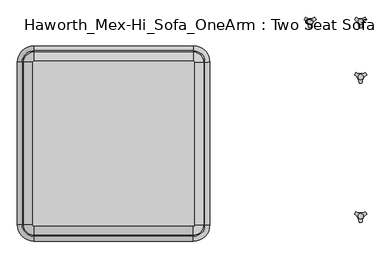
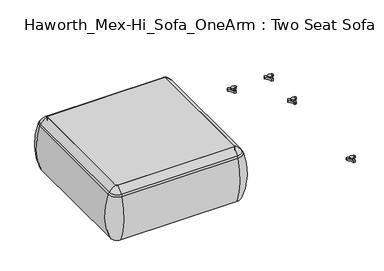
"""IFC4 building model written with IfcOpenShell, lengths in millimetres: furniture geometry, Haworth_Mex-Hi_Sofa_OneArm : Two Seat Sofa."""

from ifc_helpers import new_model, si_unit, point, frame, frame_2d, origin, place, context, project, spatial, polyline, circle_curve, ellipse_curve, trimmed, segment, composite_curve, outline, extrude, source, transform, mapped, element, save
from ifc_brep_helpers import plane_surface, cylinder_surface, revolved_surface, advanced_brep


def haworth_mex_hi_sofa_onearm_two_seat_sofa_56ba0fb8(model_context):
    return source(origin(), model_context, "Body", "SolidModel", [
        advanced_brep(
        [(-794.741528, -680.3856623, 390.3914007), (-789.4617207, -685.6654695, 390.3914007), (-789.4617207, -685.6654695, 123.9999984), (-794.741528, -680.3856623, 123.9999984), (-823.4295722, -680.3856623, 123.9999984), (-789.4617207, -714.3535137, 123.9999984), (-789.4617207, -722.0329787, 353.7769053), (-831.1090372, -680.3856623, 353.7769053), (-794.741528, -92.2092577, 123.9999984), (-794.741528, -92.2092577, 390.3914007), (-831.1090372, -92.2092577, 353.7769053), (-823.4295722, -92.2092577, 123.9999984), (-789.4617207, -86.9294504, 390.3914007), (-789.4617207, -86.9294504, 123.9999984), (-789.4617207, -58.2414063, 123.9999984), (-789.4617207, -50.5619412, 353.7769053), (-212.8817207, -86.9294504, 123.9999984), (-212.8817207, -86.9294504, 390.3914007), (-212.8817207, -50.5619412, 353.7769053), (-212.8817207, -58.2414063, 123.9999984), (-207.6019135, -92.2092577, 390.3914007), (-207.6019135, -92.2092577, 123.9999984), (-178.9138693, -92.2092577, 123.9999984), (-171.2344043, -92.2092577, 353.7769053), (-207.6019135, -680.3856623, 123.9999984), (-207.6019135, -680.3856623, 390.3914007), (-171.2344043, -680.3856623, 353.7769053), (-178.9138693, -680.3856623, 123.9999984), (-212.8817207, -685.6654695, 390.3914007), (-212.8817207, -685.6654695, 123.9999984), (-212.8817207, -714.3535137, 123.9999984), (-212.8817207, -722.0329787, 353.7769053), (-825.8905773, -680.3856623, 363.6402875), (-789.4617207, -716.8145188, 363.6402875), (-825.8905773, -92.2092577, 363.6402875), (-789.4617207, -55.7804011, 363.6402875), (-212.8817207, -55.7804011, 363.6402875), (-176.4528642, -92.2092577, 363.6402875), (-176.4528642, -680.3856623, 363.6402875), (-212.8817207, -716.8145188, 363.6402875)],
        [
            (0, 1, circle_curve(frame((-789.4617207, -680.3856623, 390.3914007), z_axis=(0.0, 0.0, 1.0), x_axis=(0.0, -1.0, 0.0)), 5.2798073)),
            (1, 2),
            (2, 3, circle_curve(frame((-789.4617207, -680.3856623, 123.9999984), z_axis=(0.0, 0.0, -1.0), x_axis=(0.0, -1.0, 0.0)), 5.2798073)),
            (3, 0),
            (4, 5, circle_curve(frame((-789.4617207, -680.3856623, 123.9999984), z_axis=(0.0, 0.0, 1.0), x_axis=(0.0, -1.0, 0.0)), 33.9678514)),
            (5, 6, circle_curve(frame((-789.4617207, -417.9792297, 248.9220234), z_axis=(-1.0, 0.0, 0.0), x_axis=(0.0, -1.0, 0.0)), 321.625914)),
            (6, 7, circle_curve(frame((-789.4617207, -680.3856623, 353.7769053), z_axis=(0.0, 0.0, -1.0), x_axis=(0.0, -1.0, 0.0)), 41.6473165)),
            (7, 4, circle_curve(frame((-527.0552882, -680.3856623, 248.9220234), z_axis=(0.0, -1.0, 0.0), x_axis=(-1.0, 0.0, 0.0)), 321.625914)),
            (3, 8),
            (8, 9),
            (9, 0),
            (7, 10),
            (10, 11, circle_curve(frame((-527.0552882, -92.2092577, 248.9220234), z_axis=(0.0, -1.0, 0.0), x_axis=(-1.0, 0.0, 0.0)), 321.625914)),
            (11, 4),
            (12, 9, circle_curve(frame((-789.4617207, -92.2092577, 390.3914007), z_axis=(0.0, 0.0, 1.0), x_axis=(-1.0, 0.0, 0.0)), 5.2798073)),
            (8, 13, circle_curve(frame((-789.4617207, -92.2092577, 123.9999984), z_axis=(0.0, 0.0, -1.0), x_axis=(-1.0, 0.0, 0.0)), 5.2798073)),
            (13, 12),
            (14, 11, circle_curve(frame((-789.4617207, -92.2092577, 123.9999984), z_axis=(0.0, 0.0, 1.0), x_axis=(-1.0, 0.0, 0.0)), 33.9678514)),
            (10, 15, circle_curve(frame((-789.4617207, -92.2092577, 353.7769053), z_axis=(0.0, 0.0, -1.0), x_axis=(-1.0, 0.0, 0.0)), 41.6473165)),
            (15, 14, circle_curve(frame((-789.4617207, -354.6156902, 248.9220234), z_axis=(-1.0, 0.0, 0.0), x_axis=(0.0, 1.0, 0.0)), 321.625914)),
            (13, 16),
            (16, 17),
            (17, 12),
            (15, 18),
            (18, 19, circle_curve(frame((-212.8817207, -354.6156902, 248.9220234), z_axis=(-1.0, 0.0, 0.0), x_axis=(0.0, 1.0, 0.0)), 321.625914)),
            (19, 14),
            (20, 17, circle_curve(frame((-212.8817207, -92.2092577, 390.3914007), z_axis=(0.0, 0.0, 1.0), x_axis=(0.0, 1.0, 0.0)), 5.2798073)),
            (16, 21, circle_curve(frame((-212.8817207, -92.2092577, 123.9999984), z_axis=(0.0, 0.0, -1.0), x_axis=(0.0, 1.0, 0.0)), 5.2798073)),
            (21, 20),
            (22, 19, circle_curve(frame((-212.8817207, -92.2092577, 123.9999984), z_axis=(0.0, 0.0, 1.0), x_axis=(0.0, 1.0, 0.0)), 33.9678514)),
            (18, 23, circle_curve(frame((-212.8817207, -92.2092577, 353.7769053), z_axis=(0.0, 0.0, -1.0), x_axis=(0.0, 1.0, 0.0)), 41.6473165)),
            (23, 22, circle_curve(frame((-475.2881533, -92.2092577, 248.9220234), z_axis=(0.0, 1.0, 0.0), x_axis=(1.0, 0.0, 0.0)), 321.625914)),
            (21, 24),
            (24, 25),
            (25, 20),
            (23, 26),
            (26, 27, circle_curve(frame((-475.2881533, -680.3856623, 248.9220234), z_axis=(0.0, 1.0, 0.0), x_axis=(1.0, 0.0, 0.0)), 321.625914)),
            (27, 22),
            (28, 25, circle_curve(frame((-212.8817207, -680.3856623, 390.3914007), z_axis=(0.0, 0.0, 1.0), x_axis=(1.0, 0.0, 0.0)), 5.2798073)),
            (24, 29, circle_curve(frame((-212.8817207, -680.3856623, 123.9999984), z_axis=(0.0, 0.0, -1.0), x_axis=(1.0, 0.0, 0.0)), 5.2798073)),
            (29, 28),
            (30, 27, circle_curve(frame((-212.8817207, -680.3856623, 123.9999984), z_axis=(0.0, 0.0, 1.0), x_axis=(1.0, 0.0, 0.0)), 33.9678514)),
            (26, 31, circle_curve(frame((-212.8817207, -680.3856623, 353.7769053), z_axis=(0.0, 0.0, -1.0), x_axis=(1.0, 0.0, 0.0)), 41.6473165)),
            (31, 30, circle_curve(frame((-212.8817207, -417.9792297, 248.9220234), z_axis=(1.0, 0.0, 0.0), x_axis=(0.0, -1.0, 0.0)), 321.625914)),
            (30, 5),
            (2, 29),
            (1, 28),
            (31, 6),
            (32, 33, circle_curve(frame((-789.4617207, -680.3856623, 363.6402875), z_axis=(0.0, 0.0, 1.0), x_axis=(0.0, -1.0, 0.0)), 36.4288566)),
            (33, 1, circle_curve(frame((-789.4617207, -641.43285, 307.3762868), z_axis=(-1.0, 0.0, 0.0), x_axis=(0.0, -1.0, 0.0)), 94.0639876)),
            (0, 32, circle_curve(frame((-750.5089085, -680.3856623, 307.3762868), z_axis=(0.0, -1.0, 0.0), x_axis=(-1.0, 0.0, 0.0)), 94.0639876)),
            (6, 33, circle_curve(frame((-789.4617207, -687.7682596, 341.9604975), z_axis=(-1.0, 0.0, 0.0), x_axis=(0.0, -1.0, 0.0)), 36.2449785)),
            (32, 7, circle_curve(frame((-796.8443181, -680.3856623, 341.9604975), z_axis=(0.0, -1.0, 0.0), x_axis=(-1.0, 0.0, 0.0)), 36.2449785)),
            (9, 34, circle_curve(frame((-750.5089085, -92.2092577, 307.3762868), z_axis=(0.0, -1.0, 0.0), x_axis=(-1.0, 0.0, 0.0)), 94.0639876)),
            (34, 32),
            (34, 10, circle_curve(frame((-796.8443181, -92.2092577, 341.9604975), z_axis=(0.0, -1.0, 0.0), x_axis=(-1.0, 0.0, 0.0)), 36.2449785)),
            (35, 34, circle_curve(frame((-789.4617207, -92.2092577, 363.6402875), z_axis=(0.0, 0.0, 1.0), x_axis=(-1.0, 0.0, 0.0)), 36.4288566)),
            (12, 35, circle_curve(frame((-789.4617207, -131.1620699, 307.3762868), z_axis=(-1.0, 0.0, 0.0), x_axis=(0.0, 1.0, 0.0)), 94.0639876)),
            (35, 15, circle_curve(frame((-789.4617207, -84.8266603, 341.9604975), z_axis=(-1.0, 0.0, 0.0), x_axis=(0.0, 1.0, 0.0)), 36.2449785)),
            (17, 36, circle_curve(frame((-212.8817207, -131.1620699, 307.3762868), z_axis=(-1.0, 0.0, 0.0), x_axis=(0.0, 1.0, 0.0)), 94.0639876)),
            (36, 35),
            (36, 18, circle_curve(frame((-212.8817207, -84.8266603, 341.9604975), z_axis=(-1.0, 0.0, 0.0), x_axis=(0.0, 1.0, 0.0)), 36.2449785)),
            (37, 36, circle_curve(frame((-212.8817207, -92.2092577, 363.6402875), z_axis=(0.0, 0.0, 1.0), x_axis=(0.0, 1.0, 0.0)), 36.4288566)),
            (20, 37, circle_curve(frame((-251.8345329, -92.2092577, 307.3762868), z_axis=(0.0, 1.0, 0.0), x_axis=(1.0, 0.0, 0.0)), 94.0639876)),
            (37, 23, circle_curve(frame((-205.4991233, -92.2092577, 341.9604975), z_axis=(0.0, 1.0, 0.0), x_axis=(1.0, 0.0, 0.0)), 36.2449785)),
            (25, 38, circle_curve(frame((-251.8345329, -680.3856623, 307.3762868), z_axis=(0.0, 1.0, 0.0), x_axis=(1.0, 0.0, 0.0)), 94.0639876)),
            (38, 37),
            (38, 26, circle_curve(frame((-205.4991233, -680.3856623, 341.9604975), z_axis=(0.0, 1.0, 0.0), x_axis=(1.0, 0.0, 0.0)), 36.2449785)),
            (39, 38, circle_curve(frame((-212.8817207, -680.3856623, 363.6402875), z_axis=(0.0, 0.0, 1.0), x_axis=(1.0, 0.0, 0.0)), 36.4288566)),
            (28, 39, circle_curve(frame((-212.8817207, -641.43285, 307.3762868), z_axis=(1.0, 0.0, 0.0), x_axis=(0.0, -1.0, 0.0)), 94.0639876)),
            (39, 31, circle_curve(frame((-212.8817207, -687.7682596, 341.9604975), z_axis=(1.0, 0.0, 0.0), x_axis=(0.0, -1.0, 0.0)), 36.2449785)),
            (33, 39),
        ],
        [
            revolved_surface(polyline([(-789.4617207, -685.6654696, 123.9999984), (-789.4617207, -685.6654696, 390.3914007)]), (-789.4617207, -680.3856623, 0.0), (0.0, 0.0, -1.0)),
            revolved_surface(trimmed(ellipse_curve(frame((-789.4617207, -417.9792297, 248.9220234), z_axis=(1.0, 0.0, 0.0), x_axis=(0.0, -1.0, 0.0)), 321.625914, 321.625914), [point((-789.4617207, -722.0329787, 353.7769053))], [point((-789.4617207, -714.3535137, 123.9999984))], True, "CARTESIAN"), (-789.4617207, -680.3856623, 0.0), (0.0, 0.0, -1.0)),
            plane_surface(frame((-794.741528, -680.3856623, 123.9999984), z_axis=(1.0, 0.0, 0.0), x_axis=(0.0, 1.0, 0.0))),
            cylinder_surface(frame((-527.0552882, -680.3856623, 248.9220234), z_axis=(0.0, -1.0, 0.0), x_axis=(-1.0, 0.0, 0.0)), 321.625914),
            revolved_surface(polyline([(-794.741528, -92.2092577, 123.9999984), (-794.741528, -92.2092577, 390.3914007)]), (-789.4617207, -92.2092577, 0.0), (0.0, 0.0, -1.0)),
            revolved_surface(trimmed(ellipse_curve(frame((-527.0552882, -92.2092577, 248.9220234), z_axis=(0.0, -1.0, 0.0), x_axis=(-1.0, 0.0, 0.0)), 321.625914, 321.625914), [point((-831.1090372, -92.2092577, 353.7769053))], [point((-823.4295722, -92.2092577, 123.9999984))], True, "CARTESIAN"), (-789.4617207, -92.2092577, 0.0), (0.0, 0.0, -1.0)),
            plane_surface(frame((-789.4617207, -86.9294504, 123.9999984), z_axis=(0.0, -1.0, 0.0), x_axis=(1.0, 0.0, 0.0))),
            cylinder_surface(frame((-789.4617207, -354.6156902, 248.9220234), z_axis=(-1.0, 0.0, 0.0), x_axis=(0.0, 1.0, 0.0)), 321.625914),
            revolved_surface(polyline([(-212.8817207, -86.9294504, 123.9999984), (-212.8817207, -86.9294504, 390.3914007)]), (-212.8817207, -92.2092577, 0.0), (0.0, 0.0, -1.0)),
            revolved_surface(trimmed(ellipse_curve(frame((-212.8817207, -354.6156902, 248.9220234), z_axis=(-1.0, 0.0, 0.0), x_axis=(0.0, 1.0, 0.0)), 321.625914, 321.625914), [point((-212.8817207, -50.5619412, 353.7769053))], [point((-212.8817207, -58.2414063, 123.9999984))], True, "CARTESIAN"), (-212.8817207, -92.2092577, 0.0), (0.0, 0.0, -1.0)),
            plane_surface(frame((-207.6019135, -92.2092577, 123.9999984), z_axis=(-1.0, 0.0, 0.0), x_axis=(0.0, -1.0, 0.0))),
            cylinder_surface(frame((-475.2881533, -92.2092577, 248.9220234), z_axis=(0.0, 1.0, 0.0), x_axis=(1.0, 0.0, 0.0)), 321.625914),
            revolved_surface(polyline([(-207.6019134, -680.3856623, 123.9999984), (-207.6019134, -680.3856623, 390.3914007)]), (-212.8817207, -680.3856623, 0.0), (0.0, 0.0, -1.0)),
            revolved_surface(trimmed(ellipse_curve(frame((-475.2881533, -680.3856623, 248.9220234), z_axis=(0.0, 1.0, 0.0), x_axis=(1.0, 0.0, 0.0)), 321.625914, 321.625914), [point((-171.2344043, -680.3856623, 353.7769053))], [point((-178.9138693, -680.3856623, 123.9999984))], True, "CARTESIAN"), (-212.8817207, -680.3856623, 0.0), (0.0, 0.0, -1.0)),
            plane_surface(frame((-212.8817207, -714.3535137, 123.9999984), z_axis=(0.0, 0.0, -1.0), x_axis=(-1.0, 0.0, 0.0))),
            plane_surface(frame((-212.8817207, -685.6654695, 123.9999984), z_axis=(0.0, 1.0, 0.0), x_axis=(-1.0, 0.0, 0.0))),
            cylinder_surface(frame((-212.8817207, -417.9792297, 248.9220234), z_axis=(1.0, 0.0, 0.0), x_axis=(0.0, -1.0, 0.0)), 321.625914),
            revolved_surface(trimmed(ellipse_curve(frame((-789.4617207, -641.43285, 307.3762868), z_axis=(1.0, 0.0, 0.0), x_axis=(0.0, -1.0, 0.0)), 94.0639876, 94.0639876), [point((-789.4617207, -685.6654695, 390.3914007))], [point((-789.4617207, -716.8145188, 363.6402875))], True, "CARTESIAN"), (-789.4617207, -680.3856623, 0.0), (0.0, 0.0, -1.0)),
            revolved_surface(trimmed(ellipse_curve(frame((-789.4617207, -687.7682596, 341.9604975), z_axis=(1.0, 0.0, 0.0), x_axis=(0.0, -1.0, 0.0)), 36.2449785, 36.2449785), [point((-789.4617207, -716.8145188, 363.6402875))], [point((-789.4617207, -722.0329787, 353.7769053))], True, "CARTESIAN"), (-789.4617207, -680.3856623, 0.0), (0.0, 0.0, -1.0)),
            cylinder_surface(frame((-750.5089085, -680.3856623, 307.3762868), z_axis=(0.0, -1.0, 0.0), x_axis=(-1.0, 0.0, 0.0)), 94.0639876),
            cylinder_surface(frame((-796.8443181, -680.3856623, 341.9604975), z_axis=(0.0, -1.0, 0.0), x_axis=(-1.0, 0.0, 0.0)), 36.2449785),
            revolved_surface(trimmed(ellipse_curve(frame((-750.5089085, -92.2092577, 307.3762868), z_axis=(0.0, -1.0, 0.0), x_axis=(-1.0, 0.0, 0.0)), 94.0639876, 94.0639876), [point((-794.741528, -92.2092577, 390.3914007))], [point((-825.8905773, -92.2092577, 363.6402875))], True, "CARTESIAN"), (-789.4617207, -92.2092577, 0.0), (0.0, 0.0, -1.0)),
            revolved_surface(trimmed(ellipse_curve(frame((-796.8443181, -92.2092577, 341.9604975), z_axis=(0.0, -1.0, 0.0), x_axis=(-1.0, 0.0, 0.0)), 36.2449785, 36.2449785), [point((-825.8905773, -92.2092577, 363.6402875))], [point((-831.1090372, -92.2092577, 353.7769053))], True, "CARTESIAN"), (-789.4617207, -92.2092577, 0.0), (0.0, 0.0, -1.0)),
            cylinder_surface(frame((-789.4617207, -131.1620699, 307.3762868), z_axis=(-1.0, 0.0, 0.0), x_axis=(0.0, 1.0, 0.0)), 94.0639876),
            cylinder_surface(frame((-789.4617207, -84.8266603, 341.9604975), z_axis=(-1.0, 0.0, 0.0), x_axis=(0.0, 1.0, 0.0)), 36.2449785),
            revolved_surface(trimmed(ellipse_curve(frame((-212.8817207, -131.1620699, 307.3762868), z_axis=(-1.0, 0.0, 0.0), x_axis=(0.0, 1.0, 0.0)), 94.0639876, 94.0639876), [point((-212.8817207, -86.9294504, 390.3914007))], [point((-212.8817207, -55.7804011, 363.6402875))], True, "CARTESIAN"), (-212.8817207, -92.2092577, 0.0), (0.0, 0.0, -1.0)),
            revolved_surface(trimmed(ellipse_curve(frame((-212.8817207, -84.8266603, 341.9604975), z_axis=(-1.0, 0.0, 0.0), x_axis=(0.0, 1.0, 0.0)), 36.2449785, 36.2449785), [point((-212.8817207, -55.7804011, 363.6402875))], [point((-212.8817207, -50.5619412, 353.7769053))], True, "CARTESIAN"), (-212.8817207, -92.2092577, 0.0), (0.0, 0.0, -1.0)),
            cylinder_surface(frame((-251.8345329, -92.2092577, 307.3762868), z_axis=(0.0, 1.0, 0.0), x_axis=(1.0, 0.0, 0.0)), 94.0639876),
            cylinder_surface(frame((-205.4991233, -92.2092577, 341.9604975), z_axis=(0.0, 1.0, 0.0), x_axis=(1.0, 0.0, 0.0)), 36.2449785),
            revolved_surface(trimmed(ellipse_curve(frame((-251.8345329, -680.3856623, 307.3762868), z_axis=(0.0, 1.0, 0.0), x_axis=(1.0, 0.0, 0.0)), 94.0639876, 94.0639876), [point((-207.6019135, -680.3856623, 390.3914007))], [point((-176.4528642, -680.3856623, 363.6402875))], True, "CARTESIAN"), (-212.8817207, -680.3856623, 0.0), (0.0, 0.0, -1.0)),
            revolved_surface(trimmed(ellipse_curve(frame((-205.4991233, -680.3856623, 341.9604975), z_axis=(0.0, 1.0, 0.0), x_axis=(1.0, 0.0, 0.0)), 36.2449785, 36.2449785), [point((-176.4528642, -680.3856623, 363.6402875))], [point((-171.2344043, -680.3856623, 353.7769053))], True, "CARTESIAN"), (-212.8817207, -680.3856623, 0.0), (0.0, 0.0, -1.0)),
            cylinder_surface(frame((-212.8817207, -641.43285, 307.3762868), z_axis=(1.0, 0.0, 0.0), x_axis=(0.0, -1.0, 0.0)), 94.0639876),
            cylinder_surface(frame((-212.8817207, -687.7682596, 341.9604975), z_axis=(1.0, 0.0, 0.0), x_axis=(0.0, -1.0, 0.0)), 36.2449785),
        ],
        [
            (0, [[1, 2, 3, 4]]),
            (1, [[5, 6, 7, 8]]),
            (2, [[-4, 9, 10, 11]]),
            (3, [[-8, 12, 13, 14]]),
            (4, [[15, -10, 16, 17]]),
            (5, [[18, -13, 19, 20]]),
            (6, [[-17, 21, 22, 23]]),
            (7, [[-20, 24, 25, 26]]),
            (8, [[27, -22, 28, 29]]),
            (9, [[30, -25, 31, 32]]),
            (10, [[-29, 33, 34, 35]]),
            (11, [[-32, 36, 37, 38]]),
            (12, [[39, -34, 40, 41]]),
            (13, [[42, -37, 43, 44]]),
            (14, [[-38, -42, 45, -5, -14, -18, -26, -30], [46, -40, -33, -28, -21, -16, -9, -3]]),
            (15, [[-41, -46, -2, 47]]),
            (16, [[-44, 48, -6, -45]]),
            (17, [[49, 50, -1, 51]]),
            (18, [[-7, 52, -49, 53]]),
            (19, [[-51, -11, 54, 55]]),
            (20, [[-53, -55, 56, -12]]),
            (21, [[57, -54, -15, 58]]),
            (22, [[-19, -56, -57, 59]]),
            (23, [[-58, -23, 60, 61]]),
            (24, [[-59, -61, 62, -24]]),
            (25, [[63, -60, -27, 64]]),
            (26, [[-31, -62, -63, 65]]),
            (27, [[-64, -35, 66, 67]]),
            (28, [[-65, -67, 68, -36]]),
            (29, [[69, -66, -39, 70]]),
            (30, [[-43, -68, -69, 71]]),
            (31, [[-70, -47, -50, 72]]),
            (32, [[-71, -72, -52, -48]]),
        ],
    ),
        extrude(outline(composite_curve([segment(trimmed(circle_curve(frame_2d((-789.4617207, -680.3856623)), 5.2798073), [point((-789.4617207, -685.6654695))], [point((-794.741528, -680.3856623))], False, "CARTESIAN"), True, "CONTINUOUS"), segment(polyline([(-794.741528, -680.3856623), (-794.741528, -92.2092577)]), True, "CONTINUOUS"), segment(trimmed(circle_curve(frame_2d((-789.4617207, -92.2092577)), 5.2798073), [point((-794.741528, -92.2092577))], [point((-789.4617207, -86.9294504))], False, "CARTESIAN"), True, "CONTINUOUS"), segment(polyline([(-789.4617207, -86.9294504), (-212.8817207, -86.9294504)]), True, "CONTINUOUS"), segment(trimmed(circle_curve(frame_2d((-212.8817207, -92.2092577)), 5.2798073), [point((-212.8817207, -86.9294504))], [point((-207.6019135, -92.2092577))], False, "CARTESIAN"), True, "CONTINUOUS"), segment(polyline([(-207.6019135, -92.2092577), (-207.6019135, -680.3856623)]), True, "CONTINUOUS"), segment(trimmed(circle_curve(frame_2d((-212.8817207, -680.3856623)), 5.2798073), [point((-207.6019135, -680.3856623))], [point((-212.8817207, -685.6654695))], False, "CARTESIAN"), True, "CONTINUOUS"), segment(polyline([(-212.8817207, -685.6654695), (-789.4617207, -685.6654695)]), True, "CONTINUOUS")], self_intersect=False)), frame((0.0, 0.0, 123.9999984), z_axis=(0.0, 0.0, 1.0), x_axis=(1.0, 0.0, 0.0)), (0.0, 0.0, 1.0), 266.3914023),
        advanced_brep(
        [(373.838792, -633.9963447, 98.611642), (369.6162038, -641.3100819, 98.611642), (370.0141527, -642.4761133, 98.611642), (385.8334234, -669.8758983, 98.611642), (386.6442569, -670.8035397, 98.611642), (395.0894355, -670.8035397, 98.611642), (395.8939637, -669.7137583, 98.611642), (411.9962168, -642.2119553, 98.611642), (412.1174938, -641.3100836, 98.611642), (407.8949039, -633.9963432, 98.611642), (406.6861204, -633.7579584, 98.611642), (375.047572, -633.7579584, 98.611642), (400.2397227, -648.9168654, 98.611642), (381.3347108, -648.9168654, 98.611642), (373.838792, -633.9963447, 88.6531552), (375.047572, -633.7579584, 88.6531552), (406.6861204, -633.7579584, 88.6531552), (407.8949039, -633.9963432, 88.6531552), (412.1174938, -641.3100836, 88.6531552), (411.9962168, -642.2119553, 88.6531552), (395.8939637, -669.7137583, 88.6531552), (395.0894355, -670.8035397, 88.6531552), (386.6442569, -670.8035397, 88.6531552), (385.8334234, -669.8758983, 88.6531552), (370.0141527, -642.4761133, 88.6531552), (369.6162038, -641.3100819, 88.6531552), (381.3347108, -648.9168654, 103.6569541), (400.2397227, -648.9168654, 103.6569541)],
        [
            (0, 1, circle_curve(frame((392.09828, -649.4142898, 98.611642), z_axis=(0.0, 0.0, 1.0), x_axis=(1.0, 0.0, 0.0)), 23.8981576)),
            (1, 2, circle_curve(frame((370.5437624, -641.6444428, 98.611642), z_axis=(0.0, 0.0, 1.0), x_axis=(1.0, 0.0, 0.0)), 0.9859828)),
            (2, 3, circle_curve(frame((351.6187827, -671.3632053, 98.611642), z_axis=(0.0, 0.0, -1.0), x_axis=(1.0, 0.0, 0.0)), 34.246952)),
            (3, 4, circle_curve(frame((386.8184668, -669.8330785, 98.611642), z_axis=(0.0, 0.0, 1.0), x_axis=(1.0, 0.0, 0.0)), 0.9859736)),
            (4, 5, circle_curve(frame((390.8668462, -647.2809943, 98.611642), z_axis=(0.0, 0.0, 1.0), x_axis=(1.0, 0.0, 0.0)), 23.8985439)),
            (5, 6, circle_curve(frame((394.9152236, -669.8330671, 98.611642), z_axis=(0.0, 0.0, 1.0), x_axis=(1.0, 0.0, 0.0)), 0.9859852)),
            (6, 7, circle_curve(frame((430.1156373, -671.285662, 98.611642), z_axis=(0.0, 0.0, -1.0), x_axis=(1.0, 0.0, 0.0)), 34.2577557)),
            (7, 8, circle_curve(frame((411.1899324, -641.644442, 98.611642), z_axis=(0.0, 0.0, 1.0), x_axis=(1.0, 0.0, 0.0)), 0.9859847)),
            (8, 9, circle_curve(frame((389.6358034, -649.4140667, 98.611642), z_axis=(0.0, 0.0, 1.0), x_axis=(1.0, 0.0, 0.0)), 23.8977184)),
            (9, 10, circle_curve(frame((407.1415576, -634.632458, 98.611642), z_axis=(0.0, 0.0, 1.0), x_axis=(1.0, 0.0, 0.0)), 0.9859881)),
            (10, 11, circle_curve(frame((390.8668462, -603.3828618, 98.611642), z_axis=(0.0, 0.0, -1.0), x_axis=(1.0, 0.0, 0.0)), 34.2475683)),
            (11, 0, circle_curve(frame((374.5921369, -634.632454, 98.611642), z_axis=(0.0, 0.0, 1.0), x_axis=(1.0, 0.0, 0.0)), 0.9859835)),
            (12, 13, circle_curve(frame((390.7872168, -648.9168654, 98.611642), z_axis=(0.0, 0.0, -1.0), x_axis=(1.0, 0.0, 0.0)), 9.452506)),
            (13, 12, circle_curve(frame((390.7872168, -648.9168654, 98.611642), z_axis=(0.0, 0.0, -1.0), x_axis=(1.0, 0.0, 0.0)), 9.452506)),
            (14, 15, circle_curve(frame((374.5921369, -634.632454, 88.6531552), z_axis=(0.0, 0.0, -1.0), x_axis=(1.0, 0.0, 0.0)), 0.9859835)),
            (15, 16, circle_curve(frame((390.8668462, -603.3828618, 88.6531552), z_axis=(0.0, 0.0, 1.0), x_axis=(1.0, 0.0, 0.0)), 34.2475683)),
            (16, 17, circle_curve(frame((407.1415576, -634.632458, 88.6531552), z_axis=(0.0, 0.0, -1.0), x_axis=(1.0, 0.0, 0.0)), 0.9859881)),
            (17, 18, circle_curve(frame((389.6358034, -649.4140667, 88.6531552), z_axis=(0.0, 0.0, -1.0), x_axis=(1.0, 0.0, 0.0)), 23.8977184)),
            (18, 19, circle_curve(frame((411.1899324, -641.644442, 88.6531552), z_axis=(0.0, 0.0, -1.0), x_axis=(1.0, 0.0, 0.0)), 0.9859847)),
            (19, 20, circle_curve(frame((430.1156373, -671.285662, 88.6531552), z_axis=(0.0, 0.0, 1.0), x_axis=(1.0, 0.0, 0.0)), 34.2577557)),
            (20, 21, circle_curve(frame((394.9152236, -669.8330671, 88.6531552), z_axis=(0.0, 0.0, -1.0), x_axis=(1.0, 0.0, 0.0)), 0.9859852)),
            (21, 22, circle_curve(frame((390.8668462, -647.2809943, 88.6531552), z_axis=(0.0, 0.0, -1.0), x_axis=(1.0, 0.0, 0.0)), 23.8985439)),
            (22, 23, circle_curve(frame((386.8184668, -669.8330785, 88.6531552), z_axis=(0.0, 0.0, -1.0), x_axis=(1.0, 0.0, 0.0)), 0.9859736)),
            (23, 24, circle_curve(frame((351.6187827, -671.3632053, 88.6531552), z_axis=(0.0, 0.0, 1.0), x_axis=(1.0, 0.0, 0.0)), 34.246952)),
            (24, 25, circle_curve(frame((370.5437624, -641.6444428, 88.6531552), z_axis=(0.0, 0.0, -1.0), x_axis=(1.0, 0.0, 0.0)), 0.9859828)),
            (25, 14, circle_curve(frame((392.09828, -649.4142898, 88.6531552), z_axis=(0.0, 0.0, -1.0), x_axis=(1.0, 0.0, 0.0)), 23.8981576)),
            (26, 27, circle_curve(frame((390.7872168, -648.9168654, 103.6569541), z_axis=(0.0, 0.0, 1.0), x_axis=(1.0, 0.0, 0.0)), 9.452506)),
            (27, 26, circle_curve(frame((390.7872168, -648.9168654, 103.6569541), z_axis=(0.0, 0.0, 1.0), x_axis=(1.0, 0.0, 0.0)), 9.452506)),
            (0, 14),
            (25, 1),
            (24, 2),
            (23, 3),
            (22, 4),
            (21, 5),
            (20, 6),
            (19, 7),
            (18, 8),
            (17, 9),
            (16, 10),
            (15, 11),
            (26, 13),
            (12, 27),
        ],
        [
            plane_surface(frame((415.9964377, -649.4142898, 98.611642), z_axis=(0.0, 0.0, 1.0), x_axis=(0.0, 1.0, 0.0))),
            plane_surface(frame((415.9964377, -649.4142898, 88.6531552), z_axis=(0.0, 0.0, -1.0), x_axis=(0.0, -1.0, 0.0))),
            plane_surface(frame((400.2397227, -648.9168654, 103.6569541), z_axis=(0.0, 0.0, 1.0), x_axis=(0.0, 1.0, 0.0))),
            cylinder_surface(frame((392.09828, -649.4142898, 88.6531552), z_axis=(0.0, 0.0, 1.0), x_axis=(1.0, 0.0, 0.0)), 23.8981576),
            cylinder_surface(frame((370.5437624, -641.6444428, 88.6531552), z_axis=(0.0, 0.0, 1.0), x_axis=(1.0, 0.0, 0.0)), 0.9859828),
            revolved_surface(polyline([(385.8657347, -671.3632053, 88.6531552), (385.8657347, -671.3632053, 98.611642)]), (351.6187827, -671.3632053, 88.6531552), (0.0, 0.0, -1.0)),
            cylinder_surface(frame((386.8184668, -669.8330785, 88.6531552), z_axis=(0.0, 0.0, 1.0), x_axis=(1.0, 0.0, 0.0)), 0.9859736),
            cylinder_surface(frame((390.8668462, -647.2809943, 88.6531552), z_axis=(0.0, 0.0, 1.0), x_axis=(1.0, 0.0, 0.0)), 23.8985439),
            cylinder_surface(frame((394.9152236, -669.8330671, 88.6531552), z_axis=(0.0, 0.0, 1.0), x_axis=(1.0, 0.0, 0.0)), 0.9859852),
            revolved_surface(polyline([(464.373393, -671.285662, 88.6531552), (464.373393, -671.285662, 98.611642)]), (430.1156373, -671.285662, 88.6531552), (0.0, 0.0, -1.0)),
            cylinder_surface(frame((411.1899324, -641.644442, 88.6531552), z_axis=(0.0, 0.0, 1.0), x_axis=(1.0, 0.0, 0.0)), 0.9859847),
            cylinder_surface(frame((389.6358034, -649.4140667, 88.6531552), z_axis=(0.0, 0.0, 1.0), x_axis=(1.0, 0.0, 0.0)), 23.8977184),
            cylinder_surface(frame((407.1415576, -634.632458, 88.6531552), z_axis=(0.0, 0.0, 1.0), x_axis=(1.0, 0.0, 0.0)), 0.9859881),
            revolved_surface(polyline([(425.1144145, -603.3828618, 88.6531552), (425.1144145, -603.3828618, 98.611642)]), (390.8668462, -603.3828618, 88.6531552), (0.0, 0.0, -1.0)),
            cylinder_surface(frame((374.5921369, -634.632454, 88.6531552), z_axis=(0.0, 0.0, 1.0), x_axis=(1.0, 0.0, 0.0)), 0.9859835),
            cylinder_surface(frame((390.7872168, -648.9168654, 98.611642), z_axis=(0.0, 0.0, 1.0), x_axis=(1.0, 0.0, 0.0)), 9.452506),
        ],
        [
            (0, [[1, 2, 3, 4, 5, 6, 7, 8, 9, 10, 11, 12], [13, 14]]),
            (1, [[15, 16, 17, 18, 19, 20, 21, 22, 23, 24, 25, 26]]),
            (2, [[27, 28]]),
            (3, [[-1, 29, -26, 30]]),
            (4, [[-2, -30, -25, 31]]),
            (5, [[-3, -31, -24, 32]]),
            (6, [[-4, -32, -23, 33]]),
            (7, [[-5, -33, -22, 34]]),
            (8, [[-6, -34, -21, 35]]),
            (9, [[-7, -35, -20, 36]]),
            (10, [[-8, -36, -19, 37]]),
            (11, [[-9, -37, -18, 38]]),
            (12, [[-10, -38, -17, 39]]),
            (13, [[-11, -39, -16, 40]]),
            (14, [[-12, -40, -15, -29]]),
            (15, [[-27, 41, -13, 42]]),
            (15, [[-28, -42, -14, -41]]),
        ],
    ),
        advanced_brep(
        [(373.838792, -130.2721038, 98.611642), (369.6162038, -137.585841, 98.611642), (370.0141527, -138.7518724, 98.611642), (385.8334234, -166.1516574, 98.611642), (386.6442569, -167.0792988, 98.611642), (395.0894355, -167.0792988, 98.611642), (395.8939637, -165.9895174, 98.611642), (411.9962168, -138.4877144, 98.611642), (412.1174938, -137.5858427, 98.611642), (407.8949039, -130.2721023, 98.611642), (406.6861204, -130.0337175, 98.611642), (375.047572, -130.0337175, 98.611642), (400.2397227, -145.1926245, 98.611642), (381.3347108, -145.1926245, 98.611642), (373.838792, -130.2721038, 88.6531552), (375.047572, -130.0337175, 88.6531552), (406.6861204, -130.0337175, 88.6531552), (407.8949039, -130.2721023, 88.6531552), (412.1174938, -137.5858427, 88.6531552), (411.9962168, -138.4877144, 88.6531552), (395.8939637, -165.9895174, 88.6531552), (395.0894355, -167.0792988, 88.6531552), (386.6442569, -167.0792988, 88.6531552), (385.8334234, -166.1516574, 88.6531552), (370.0141527, -138.7518724, 88.6531552), (369.6162038, -137.585841, 88.6531552), (381.3347108, -145.1926245, 103.6569541), (400.2397227, -145.1926245, 103.6569541)],
        [
            (0, 1, circle_curve(frame((392.09828, -145.690049, 98.611642), z_axis=(0.0, 0.0, 1.0), x_axis=(1.0, 0.0, 0.0)), 23.8981576)),
            (1, 2, circle_curve(frame((370.5437624, -137.920202, 98.611642), z_axis=(0.0, 0.0, 1.0), x_axis=(1.0, 0.0, 0.0)), 0.9859828)),
            (2, 3, circle_curve(frame((351.6187827, -167.6389644, 98.611642), z_axis=(0.0, 0.0, -1.0), x_axis=(1.0, 0.0, 0.0)), 34.246952)),
            (3, 4, circle_curve(frame((386.8184668, -166.1088376, 98.611642), z_axis=(0.0, 0.0, 1.0), x_axis=(1.0, 0.0, 0.0)), 0.9859736)),
            (4, 5, circle_curve(frame((390.8668462, -143.5567534, 98.611642), z_axis=(0.0, 0.0, 1.0), x_axis=(1.0, 0.0, 0.0)), 23.8985439)),
            (5, 6, circle_curve(frame((394.9152236, -166.1088262, 98.611642), z_axis=(0.0, 0.0, 1.0), x_axis=(1.0, 0.0, 0.0)), 0.9859852)),
            (6, 7, circle_curve(frame((430.1156373, -167.5614211, 98.611642), z_axis=(0.0, 0.0, -1.0), x_axis=(1.0, 0.0, 0.0)), 34.2577557)),
            (7, 8, circle_curve(frame((411.1899324, -137.9202011, 98.611642), z_axis=(0.0, 0.0, 1.0), x_axis=(1.0, 0.0, 0.0)), 0.9859847)),
            (8, 9, circle_curve(frame((389.6358034, -145.6898258, 98.611642), z_axis=(0.0, 0.0, 1.0), x_axis=(1.0, 0.0, 0.0)), 23.8977184)),
            (9, 10, circle_curve(frame((407.1415576, -130.9082171, 98.611642), z_axis=(0.0, 0.0, 1.0), x_axis=(1.0, 0.0, 0.0)), 0.9859881)),
            (10, 11, circle_curve(frame((390.8668462, -99.6586209, 98.611642), z_axis=(0.0, 0.0, -1.0), x_axis=(1.0, 0.0, 0.0)), 34.2475683)),
            (11, 0, circle_curve(frame((374.5921369, -130.9082131, 98.611642), z_axis=(0.0, 0.0, 1.0), x_axis=(1.0, 0.0, 0.0)), 0.9859835)),
            (12, 13, circle_curve(frame((390.7872168, -145.1926245, 98.611642), z_axis=(0.0, 0.0, -1.0), x_axis=(1.0, 0.0, 0.0)), 9.452506)),
            (13, 12, circle_curve(frame((390.7872168, -145.1926245, 98.611642), z_axis=(0.0, 0.0, -1.0), x_axis=(1.0, 0.0, 0.0)), 9.452506)),
            (14, 15, circle_curve(frame((374.5921369, -130.9082131, 88.6531552), z_axis=(0.0, 0.0, -1.0), x_axis=(1.0, 0.0, 0.0)), 0.9859835)),
            (15, 16, circle_curve(frame((390.8668462, -99.6586209, 88.6531552), z_axis=(0.0, 0.0, 1.0), x_axis=(1.0, 0.0, 0.0)), 34.2475683)),
            (16, 17, circle_curve(frame((407.1415576, -130.9082171, 88.6531552), z_axis=(0.0, 0.0, -1.0), x_axis=(1.0, 0.0, 0.0)), 0.9859881)),
            (17, 18, circle_curve(frame((389.6358034, -145.6898258, 88.6531552), z_axis=(0.0, 0.0, -1.0), x_axis=(1.0, 0.0, 0.0)), 23.8977184)),
            (18, 19, circle_curve(frame((411.1899324, -137.9202011, 88.6531552), z_axis=(0.0, 0.0, -1.0), x_axis=(1.0, 0.0, 0.0)), 0.9859847)),
            (19, 20, circle_curve(frame((430.1156373, -167.5614211, 88.6531552), z_axis=(0.0, 0.0, 1.0), x_axis=(1.0, 0.0, 0.0)), 34.2577557)),
            (20, 21, circle_curve(frame((394.9152236, -166.1088262, 88.6531552), z_axis=(0.0, 0.0, -1.0), x_axis=(1.0, 0.0, 0.0)), 0.9859852)),
            (21, 22, circle_curve(frame((390.8668462, -143.5567534, 88.6531552), z_axis=(0.0, 0.0, -1.0), x_axis=(1.0, 0.0, 0.0)), 23.8985439)),
            (22, 23, circle_curve(frame((386.8184668, -166.1088376, 88.6531552), z_axis=(0.0, 0.0, -1.0), x_axis=(1.0, 0.0, 0.0)), 0.9859736)),
            (23, 24, circle_curve(frame((351.6187827, -167.6389644, 88.6531552), z_axis=(0.0, 0.0, 1.0), x_axis=(1.0, 0.0, 0.0)), 34.246952)),
            (24, 25, circle_curve(frame((370.5437624, -137.920202, 88.6531552), z_axis=(0.0, 0.0, -1.0), x_axis=(1.0, 0.0, 0.0)), 0.9859828)),
            (25, 14, circle_curve(frame((392.09828, -145.690049, 88.6531552), z_axis=(0.0, 0.0, -1.0), x_axis=(1.0, 0.0, 0.0)), 23.8981576)),
            (26, 27, circle_curve(frame((390.7872168, -145.1926245, 103.6569541), z_axis=(0.0, 0.0, 1.0), x_axis=(1.0, 0.0, 0.0)), 9.452506)),
            (27, 26, circle_curve(frame((390.7872168, -145.1926245, 103.6569541), z_axis=(0.0, 0.0, 1.0), x_axis=(1.0, 0.0, 0.0)), 9.452506)),
            (0, 14),
            (25, 1),
            (24, 2),
            (23, 3),
            (22, 4),
            (21, 5),
            (20, 6),
            (19, 7),
            (18, 8),
            (17, 9),
            (16, 10),
            (15, 11),
            (26, 13),
            (12, 27),
        ],
        [
            plane_surface(frame((415.9964377, -145.690049, 98.611642), z_axis=(0.0, 0.0, 1.0), x_axis=(0.0, 1.0, 0.0))),
            plane_surface(frame((415.9964377, -145.690049, 88.6531552), z_axis=(0.0, 0.0, -1.0), x_axis=(0.0, -1.0, 0.0))),
            plane_surface(frame((400.2397227, -145.1926245, 103.6569541), z_axis=(0.0, 0.0, 1.0), x_axis=(0.0, 1.0, 0.0))),
            cylinder_surface(frame((392.09828, -145.690049, 88.6531552), z_axis=(0.0, 0.0, 1.0), x_axis=(1.0, 0.0, 0.0)), 23.8981576),
            cylinder_surface(frame((370.5437624, -137.920202, 88.6531552), z_axis=(0.0, 0.0, 1.0), x_axis=(1.0, 0.0, 0.0)), 0.9859828),
            revolved_surface(polyline([(385.8657347, -167.6389644, 88.6531552), (385.8657347, -167.6389644, 98.611642)]), (351.6187827, -167.6389644, 88.6531552), (0.0, 0.0, -1.0)),
            cylinder_surface(frame((386.8184668, -166.1088376, 88.6531552), z_axis=(0.0, 0.0, 1.0), x_axis=(1.0, 0.0, 0.0)), 0.9859736),
            cylinder_surface(frame((390.8668462, -143.5567534, 88.6531552), z_axis=(0.0, 0.0, 1.0), x_axis=(1.0, 0.0, 0.0)), 23.8985439),
            cylinder_surface(frame((394.9152236, -166.1088262, 88.6531552), z_axis=(0.0, 0.0, 1.0), x_axis=(1.0, 0.0, 0.0)), 0.9859852),
            revolved_surface(polyline([(464.373393, -167.5614211, 88.6531552), (464.373393, -167.5614211, 98.611642)]), (430.1156373, -167.5614211, 88.6531552), (0.0, 0.0, -1.0)),
            cylinder_surface(frame((411.1899324, -137.9202011, 88.6531552), z_axis=(0.0, 0.0, 1.0), x_axis=(1.0, 0.0, 0.0)), 0.9859847),
            cylinder_surface(frame((389.6358034, -145.6898258, 88.6531552), z_axis=(0.0, 0.0, 1.0), x_axis=(1.0, 0.0, 0.0)), 23.8977184),
            cylinder_surface(frame((407.1415576, -130.9082171, 88.6531552), z_axis=(0.0, 0.0, 1.0), x_axis=(1.0, 0.0, 0.0)), 0.9859881),
            revolved_surface(polyline([(425.1144145, -99.6586209, 88.6531552), (425.1144145, -99.6586209, 98.611642)]), (390.8668462, -99.6586209, 88.6531552), (0.0, 0.0, -1.0)),
            cylinder_surface(frame((374.5921369, -130.9082131, 88.6531552), z_axis=(0.0, 0.0, 1.0), x_axis=(1.0, 0.0, 0.0)), 0.9859835),
            cylinder_surface(frame((390.7872168, -145.1926245, 98.611642), z_axis=(0.0, 0.0, 1.0), x_axis=(1.0, 0.0, 0.0)), 9.452506),
        ],
        [
            (0, [[1, 2, 3, 4, 5, 6, 7, 8, 9, 10, 11, 12], [13, 14]]),
            (1, [[15, 16, 17, 18, 19, 20, 21, 22, 23, 24, 25, 26]]),
            (2, [[27, 28]]),
            (3, [[-1, 29, -26, 30]]),
            (4, [[-2, -30, -25, 31]]),
            (5, [[-3, -31, -24, 32]]),
            (6, [[-4, -32, -23, 33]]),
            (7, [[-5, -33, -22, 34]]),
            (8, [[-6, -34, -21, 35]]),
            (9, [[-7, -35, -20, 36]]),
            (10, [[-8, -36, -19, 37]]),
            (11, [[-9, -37, -18, 38]]),
            (12, [[-10, -38, -17, 39]]),
            (13, [[-11, -39, -16, 40]]),
            (14, [[-12, -40, -15, -29]]),
            (15, [[-27, 41, -13, 42]]),
            (15, [[-28, -42, -14, -41]]),
        ],
    ),
        advanced_brep(
        [(373.838792, 69.7278978, 98.611642), (369.6162038, 62.4141605, 98.611642), (370.0141527, 61.2481292, 98.611642), (385.8334234, 33.8483441, 98.611642), (386.6442569, 32.9207027, 98.611642), (395.0894355, 32.9207027, 98.611642), (395.8939637, 34.0104841, 98.611642), (411.9962168, 61.5122871, 98.611642), (412.1174938, 62.4141588, 98.611642), (407.8949039, 69.7278992, 98.611642), (406.6861204, 69.966284, 98.611642), (375.047572, 69.966284, 98.611642), (400.2397227, 54.807377, 98.611642), (381.3347108, 54.807377, 98.611642), (373.838792, 69.7278978, 88.6531552), (375.047572, 69.966284, 88.6531552), (406.6861204, 69.966284, 88.6531552), (407.8949039, 69.7278992, 88.6531552), (412.1174938, 62.4141588, 88.6531552), (411.9962168, 61.5122871, 88.6531552), (395.8939637, 34.0104841, 88.6531552), (395.0894355, 32.9207027, 88.6531552), (386.6442569, 32.9207027, 88.6531552), (385.8334234, 33.8483441, 88.6531552), (370.0141527, 61.2481292, 88.6531552), (369.6162038, 62.4141605, 88.6531552), (381.3347108, 54.807377, 103.6569541), (400.2397227, 54.807377, 103.6569541)],
        [
            (0, 1, circle_curve(frame((392.09828, 54.3099526, 98.611642), z_axis=(0.0, 0.0, 1.0), x_axis=(1.0, 0.0, 0.0)), 23.8981576)),
            (1, 2, circle_curve(frame((370.5437624, 62.0797996, 98.611642), z_axis=(0.0, 0.0, 1.0), x_axis=(1.0, 0.0, 0.0)), 0.9859828)),
            (2, 3, circle_curve(frame((351.6187827, 32.3610372, 98.611642), z_axis=(0.0, 0.0, -1.0), x_axis=(1.0, 0.0, 0.0)), 34.246952)),
            (3, 4, circle_curve(frame((386.8184668, 33.8911639, 98.611642), z_axis=(0.0, 0.0, 1.0), x_axis=(1.0, 0.0, 0.0)), 0.9859736)),
            (4, 5, circle_curve(frame((390.8668462, 56.4432481, 98.611642), z_axis=(0.0, 0.0, 1.0), x_axis=(1.0, 0.0, 0.0)), 23.8985439)),
            (5, 6, circle_curve(frame((394.9152236, 33.8911753, 98.611642), z_axis=(0.0, 0.0, 1.0), x_axis=(1.0, 0.0, 0.0)), 0.9859852)),
            (6, 7, circle_curve(frame((430.1156373, 32.4385804, 98.611642), z_axis=(0.0, 0.0, -1.0), x_axis=(1.0, 0.0, 0.0)), 34.2577557)),
            (7, 8, circle_curve(frame((411.1899324, 62.0798004, 98.611642), z_axis=(0.0, 0.0, 1.0), x_axis=(1.0, 0.0, 0.0)), 0.9859847)),
            (8, 9, circle_curve(frame((389.6358034, 54.3101757, 98.611642), z_axis=(0.0, 0.0, 1.0), x_axis=(1.0, 0.0, 0.0)), 23.8977184)),
            (9, 10, circle_curve(frame((407.1415576, 69.0917844, 98.611642), z_axis=(0.0, 0.0, 1.0), x_axis=(1.0, 0.0, 0.0)), 0.9859881)),
            (10, 11, circle_curve(frame((390.8668462, 100.3413806, 98.611642), z_axis=(0.0, 0.0, -1.0), x_axis=(1.0, 0.0, 0.0)), 34.2475683)),
            (11, 0, circle_curve(frame((374.5921369, 69.0917885, 98.611642), z_axis=(0.0, 0.0, 1.0), x_axis=(1.0, 0.0, 0.0)), 0.9859835)),
            (12, 13, circle_curve(frame((390.7872168, 54.807377, 98.611642), z_axis=(0.0, 0.0, -1.0), x_axis=(1.0, 0.0, 0.0)), 9.452506)),
            (13, 12, circle_curve(frame((390.7872168, 54.807377, 98.611642), z_axis=(0.0, 0.0, -1.0), x_axis=(1.0, 0.0, 0.0)), 9.452506)),
            (14, 15, circle_curve(frame((374.5921369, 69.0917885, 88.6531552), z_axis=(0.0, 0.0, -1.0), x_axis=(1.0, 0.0, 0.0)), 0.9859835)),
            (15, 16, circle_curve(frame((390.8668462, 100.3413806, 88.6531552), z_axis=(0.0, 0.0, 1.0), x_axis=(1.0, 0.0, 0.0)), 34.2475683)),
            (16, 17, circle_curve(frame((407.1415576, 69.0917844, 88.6531552), z_axis=(0.0, 0.0, -1.0), x_axis=(1.0, 0.0, 0.0)), 0.9859881)),
            (17, 18, circle_curve(frame((389.6358034, 54.3101757, 88.6531552), z_axis=(0.0, 0.0, -1.0), x_axis=(1.0, 0.0, 0.0)), 23.8977184)),
            (18, 19, circle_curve(frame((411.1899324, 62.0798004, 88.6531552), z_axis=(0.0, 0.0, -1.0), x_axis=(1.0, 0.0, 0.0)), 0.9859847)),
            (19, 20, circle_curve(frame((430.1156373, 32.4385804, 88.6531552), z_axis=(0.0, 0.0, 1.0), x_axis=(1.0, 0.0, 0.0)), 34.2577557)),
            (20, 21, circle_curve(frame((394.9152236, 33.8911753, 88.6531552), z_axis=(0.0, 0.0, -1.0), x_axis=(1.0, 0.0, 0.0)), 0.9859852)),
            (21, 22, circle_curve(frame((390.8668462, 56.4432481, 88.6531552), z_axis=(0.0, 0.0, -1.0), x_axis=(1.0, 0.0, 0.0)), 23.8985439)),
            (22, 23, circle_curve(frame((386.8184668, 33.8911639, 88.6531552), z_axis=(0.0, 0.0, -1.0), x_axis=(1.0, 0.0, 0.0)), 0.9859736)),
            (23, 24, circle_curve(frame((351.6187827, 32.3610372, 88.6531552), z_axis=(0.0, 0.0, 1.0), x_axis=(1.0, 0.0, 0.0)), 34.246952)),
            (24, 25, circle_curve(frame((370.5437624, 62.0797996, 88.6531552), z_axis=(0.0, 0.0, -1.0), x_axis=(1.0, 0.0, 0.0)), 0.9859828)),
            (25, 14, circle_curve(frame((392.09828, 54.3099526, 88.6531552), z_axis=(0.0, 0.0, -1.0), x_axis=(1.0, 0.0, 0.0)), 23.8981576)),
            (26, 27, circle_curve(frame((390.7872168, 54.807377, 103.6569541), z_axis=(0.0, 0.0, 1.0), x_axis=(1.0, 0.0, 0.0)), 9.452506)),
            (27, 26, circle_curve(frame((390.7872168, 54.807377, 103.6569541), z_axis=(0.0, 0.0, 1.0), x_axis=(1.0, 0.0, 0.0)), 9.452506)),
            (0, 14),
            (25, 1),
            (24, 2),
            (23, 3),
            (22, 4),
            (21, 5),
            (20, 6),
            (19, 7),
            (18, 8),
            (17, 9),
            (16, 10),
            (15, 11),
            (26, 13),
            (12, 27),
        ],
        [
            plane_surface(frame((415.9964377, 54.3099526, 98.611642), z_axis=(0.0, 0.0, 1.0), x_axis=(0.0, 1.0, 0.0))),
            plane_surface(frame((415.9964377, 54.3099526, 88.6531552), z_axis=(0.0, 0.0, -1.0), x_axis=(0.0, -1.0, 0.0))),
            plane_surface(frame((400.2397227, 54.807377, 103.6569541), z_axis=(0.0, 0.0, 1.0), x_axis=(0.0, 1.0, 0.0))),
            cylinder_surface(frame((392.09828, 54.3099526, 88.6531552), z_axis=(0.0, 0.0, 1.0), x_axis=(1.0, 0.0, 0.0)), 23.8981576),
            cylinder_surface(frame((370.5437624, 62.0797996, 88.6531552), z_axis=(0.0, 0.0, 1.0), x_axis=(1.0, 0.0, 0.0)), 0.9859828),
            revolved_surface(polyline([(385.8657347, 32.3610372, 88.6531552), (385.8657347, 32.3610372, 98.611642)]), (351.6187827, 32.3610372, 88.6531552), (0.0, 0.0, -1.0)),
            cylinder_surface(frame((386.8184668, 33.8911639, 88.6531552), z_axis=(0.0, 0.0, 1.0), x_axis=(1.0, 0.0, 0.0)), 0.9859736),
            cylinder_surface(frame((390.8668462, 56.4432481, 88.6531552), z_axis=(0.0, 0.0, 1.0), x_axis=(1.0, 0.0, 0.0)), 23.8985439),
            cylinder_surface(frame((394.9152236, 33.8911753, 88.6531552), z_axis=(0.0, 0.0, 1.0), x_axis=(1.0, 0.0, 0.0)), 0.9859852),
            revolved_surface(polyline([(464.373393, 32.4385804, 88.6531552), (464.373393, 32.4385804, 98.611642)]), (430.1156373, 32.4385804, 88.6531552), (0.0, 0.0, -1.0)),
            cylinder_surface(frame((411.1899324, 62.0798004, 88.6531552), z_axis=(0.0, 0.0, 1.0), x_axis=(1.0, 0.0, 0.0)), 0.9859847),
            cylinder_surface(frame((389.6358034, 54.3101757, 88.6531552), z_axis=(0.0, 0.0, 1.0), x_axis=(1.0, 0.0, 0.0)), 23.8977184),
            cylinder_surface(frame((407.1415576, 69.0917844, 88.6531552), z_axis=(0.0, 0.0, 1.0), x_axis=(1.0, 0.0, 0.0)), 0.9859881),
            revolved_surface(polyline([(425.1144145, 100.3413806, 88.6531552), (425.1144145, 100.3413806, 98.611642)]), (390.8668462, 100.3413806, 88.6531552), (0.0, 0.0, -1.0)),
            cylinder_surface(frame((374.5921369, 69.0917885, 88.6531552), z_axis=(0.0, 0.0, 1.0), x_axis=(1.0, 0.0, 0.0)), 0.9859835),
            cylinder_surface(frame((390.7872168, 54.807377, 98.611642), z_axis=(0.0, 0.0, 1.0), x_axis=(1.0, 0.0, 0.0)), 9.452506),
        ],
        [
            (0, [[1, 2, 3, 4, 5, 6, 7, 8, 9, 10, 11, 12], [13, 14]]),
            (1, [[15, 16, 17, 18, 19, 20, 21, 22, 23, 24, 25, 26]]),
            (2, [[27, 28]]),
            (3, [[-1, 29, -26, 30]]),
            (4, [[-2, -30, -25, 31]]),
            (5, [[-3, -31, -24, 32]]),
            (6, [[-4, -32, -23, 33]]),
            (7, [[-5, -33, -22, 34]]),
            (8, [[-6, -34, -21, 35]]),
            (9, [[-7, -35, -20, 36]]),
            (10, [[-8, -36, -19, 37]]),
            (11, [[-9, -37, -18, 38]]),
            (12, [[-10, -38, -17, 39]]),
            (13, [[-11, -39, -16, 40]]),
            (14, [[-12, -40, -15, -29]]),
            (15, [[-27, 41, -13, 42]]),
            (15, [[-28, -42, -14, -41]]),
        ],
    ),
        advanced_brep(
        [(191.4388063, 69.7278978, 98.611642), (187.2162181, 62.4141605, 98.611642), (187.614167, 61.2481292, 98.611642), (203.4334377, 33.8483441, 98.611642), (204.2442712, 32.9207027, 98.611642), (212.6894498, 32.9207027, 98.611642), (213.493978, 34.0104841, 98.611642), (229.5962311, 61.5122871, 98.611642), (229.7175081, 62.4141588, 98.611642), (225.4949182, 69.7278992, 98.611642), (224.2861347, 69.966284, 98.611642), (192.6475863, 69.966284, 98.611642), (217.839737, 54.807377, 98.611642), (198.9347251, 54.807377, 98.611642), (191.4388063, 69.7278978, 88.6531552), (192.6475863, 69.966284, 88.6531552), (224.2861347, 69.966284, 88.6531552), (225.4949182, 69.7278992, 88.6531552), (229.7175081, 62.4141588, 88.6531552), (229.5962311, 61.5122871, 88.6531552), (213.493978, 34.0104841, 88.6531552), (212.6894498, 32.9207027, 88.6531552), (204.2442712, 32.9207027, 88.6531552), (203.4334377, 33.8483441, 88.6531552), (187.614167, 61.2481292, 88.6531552), (187.2162181, 62.4141605, 88.6531552), (198.9347251, 54.807377, 103.6569541), (217.839737, 54.807377, 103.6569541)],
        [
            (0, 1, circle_curve(frame((209.6982944, 54.3099526, 98.611642), z_axis=(0.0, 0.0, 1.0), x_axis=(1.0, 0.0, 0.0)), 23.8981576)),
            (1, 2, circle_curve(frame((188.1437767, 62.0797996, 98.611642), z_axis=(0.0, 0.0, 1.0), x_axis=(1.0, 0.0, 0.0)), 0.9859828)),
            (2, 3, circle_curve(frame((169.218797, 32.3610372, 98.611642), z_axis=(0.0, 0.0, -1.0), x_axis=(1.0, 0.0, 0.0)), 34.246952)),
            (3, 4, circle_curve(frame((204.4184811, 33.8911639, 98.611642), z_axis=(0.0, 0.0, 1.0), x_axis=(1.0, 0.0, 0.0)), 0.9859736)),
            (4, 5, circle_curve(frame((208.4668605, 56.4432481, 98.611642), z_axis=(0.0, 0.0, 1.0), x_axis=(1.0, 0.0, 0.0)), 23.8985439)),
            (5, 6, circle_curve(frame((212.5152379, 33.8911753, 98.611642), z_axis=(0.0, 0.0, 1.0), x_axis=(1.0, 0.0, 0.0)), 0.9859852)),
            (6, 7, circle_curve(frame((247.7156517, 32.4385804, 98.611642), z_axis=(0.0, 0.0, -1.0), x_axis=(1.0, 0.0, 0.0)), 34.2577557)),
            (7, 8, circle_curve(frame((228.7899467, 62.0798004, 98.611642), z_axis=(0.0, 0.0, 1.0), x_axis=(1.0, 0.0, 0.0)), 0.9859847)),
            (8, 9, circle_curve(frame((207.2358178, 54.3101757, 98.611642), z_axis=(0.0, 0.0, 1.0), x_axis=(1.0, 0.0, 0.0)), 23.8977184)),
            (9, 10, circle_curve(frame((224.7415719, 69.0917844, 98.611642), z_axis=(0.0, 0.0, 1.0), x_axis=(1.0, 0.0, 0.0)), 0.9859881)),
            (10, 11, circle_curve(frame((208.4668605, 100.3413806, 98.611642), z_axis=(0.0, 0.0, -1.0), x_axis=(1.0, 0.0, 0.0)), 34.2475683)),
            (11, 0, circle_curve(frame((192.1921512, 69.0917885, 98.611642), z_axis=(0.0, 0.0, 1.0), x_axis=(1.0, 0.0, 0.0)), 0.9859835)),
            (12, 13, circle_curve(frame((208.3872311, 54.807377, 98.611642), z_axis=(0.0, 0.0, -1.0), x_axis=(1.0, 0.0, 0.0)), 9.452506)),
            (13, 12, circle_curve(frame((208.3872311, 54.807377, 98.611642), z_axis=(0.0, 0.0, -1.0), x_axis=(1.0, 0.0, 0.0)), 9.452506)),
            (14, 15, circle_curve(frame((192.1921512, 69.0917885, 88.6531552), z_axis=(0.0, 0.0, -1.0), x_axis=(1.0, 0.0, 0.0)), 0.9859835)),
            (15, 16, circle_curve(frame((208.4668605, 100.3413806, 88.6531552), z_axis=(0.0, 0.0, 1.0), x_axis=(1.0, 0.0, 0.0)), 34.2475683)),
            (16, 17, circle_curve(frame((224.7415719, 69.0917844, 88.6531552), z_axis=(0.0, 0.0, -1.0), x_axis=(1.0, 0.0, 0.0)), 0.9859881)),
            (17, 18, circle_curve(frame((207.2358178, 54.3101757, 88.6531552), z_axis=(0.0, 0.0, -1.0), x_axis=(1.0, 0.0, 0.0)), 23.8977184)),
            (18, 19, circle_curve(frame((228.7899467, 62.0798004, 88.6531552), z_axis=(0.0, 0.0, -1.0), x_axis=(1.0, 0.0, 0.0)), 0.9859847)),
            (19, 20, circle_curve(frame((247.7156517, 32.4385804, 88.6531552), z_axis=(0.0, 0.0, 1.0), x_axis=(1.0, 0.0, 0.0)), 34.2577557)),
            (20, 21, circle_curve(frame((212.5152379, 33.8911753, 88.6531552), z_axis=(0.0, 0.0, -1.0), x_axis=(1.0, 0.0, 0.0)), 0.9859852)),
            (21, 22, circle_curve(frame((208.4668605, 56.4432481, 88.6531552), z_axis=(0.0, 0.0, -1.0), x_axis=(1.0, 0.0, 0.0)), 23.8985439)),
            (22, 23, circle_curve(frame((204.4184811, 33.8911639, 88.6531552), z_axis=(0.0, 0.0, -1.0), x_axis=(1.0, 0.0, 0.0)), 0.9859736)),
            (23, 24, circle_curve(frame((169.218797, 32.3610372, 88.6531552), z_axis=(0.0, 0.0, 1.0), x_axis=(1.0, 0.0, 0.0)), 34.246952)),
            (24, 25, circle_curve(frame((188.1437767, 62.0797996, 88.6531552), z_axis=(0.0, 0.0, -1.0), x_axis=(1.0, 0.0, 0.0)), 0.9859828)),
            (25, 14, circle_curve(frame((209.6982944, 54.3099526, 88.6531552), z_axis=(0.0, 0.0, -1.0), x_axis=(1.0, 0.0, 0.0)), 23.8981576)),
            (26, 27, circle_curve(frame((208.3872311, 54.807377, 103.6569541), z_axis=(0.0, 0.0, 1.0), x_axis=(1.0, 0.0, 0.0)), 9.452506)),
            (27, 26, circle_curve(frame((208.3872311, 54.807377, 103.6569541), z_axis=(0.0, 0.0, 1.0), x_axis=(1.0, 0.0, 0.0)), 9.452506)),
            (0, 14),
            (25, 1),
            (24, 2),
            (23, 3),
            (22, 4),
            (21, 5),
            (20, 6),
            (19, 7),
            (18, 8),
            (17, 9),
            (16, 10),
            (15, 11),
            (26, 13),
            (12, 27),
        ],
        [
            plane_surface(frame((233.596452, 54.3099526, 98.611642), z_axis=(0.0, 0.0, 1.0), x_axis=(0.0, 1.0, 0.0))),
            plane_surface(frame((233.596452, 54.3099526, 88.6531552), z_axis=(0.0, 0.0, -1.0), x_axis=(0.0, -1.0, 0.0))),
            plane_surface(frame((217.839737, 54.807377, 103.6569541), z_axis=(0.0, 0.0, 1.0), x_axis=(0.0, 1.0, 0.0))),
            cylinder_surface(frame((209.6982944, 54.3099526, 88.6531552), z_axis=(0.0, 0.0, 1.0), x_axis=(1.0, 0.0, 0.0)), 23.8981576),
            cylinder_surface(frame((188.1437767, 62.0797996, 88.6531552), z_axis=(0.0, 0.0, 1.0), x_axis=(1.0, 0.0, 0.0)), 0.9859828),
            revolved_surface(polyline([(203.465749, 32.3610372, 88.6531552), (203.465749, 32.3610372, 98.611642)]), (169.218797, 32.3610372, 88.6531552), (0.0, 0.0, -1.0)),
            cylinder_surface(frame((204.4184811, 33.8911639, 88.6531552), z_axis=(0.0, 0.0, 1.0), x_axis=(1.0, 0.0, 0.0)), 0.9859736),
            cylinder_surface(frame((208.4668605, 56.4432481, 88.6531552), z_axis=(0.0, 0.0, 1.0), x_axis=(1.0, 0.0, 0.0)), 23.8985439),
            cylinder_surface(frame((212.5152379, 33.8911753, 88.6531552), z_axis=(0.0, 0.0, 1.0), x_axis=(1.0, 0.0, 0.0)), 0.9859852),
            revolved_surface(polyline([(281.9734074, 32.4385804, 88.6531552), (281.9734074, 32.4385804, 98.611642)]), (247.7156517, 32.4385804, 88.6531552), (0.0, 0.0, -1.0)),
            cylinder_surface(frame((228.7899467, 62.0798004, 88.6531552), z_axis=(0.0, 0.0, 1.0), x_axis=(1.0, 0.0, 0.0)), 0.9859847),
            cylinder_surface(frame((207.2358178, 54.3101757, 88.6531552), z_axis=(0.0, 0.0, 1.0), x_axis=(1.0, 0.0, 0.0)), 23.8977184),
            cylinder_surface(frame((224.7415719, 69.0917844, 88.6531552), z_axis=(0.0, 0.0, 1.0), x_axis=(1.0, 0.0, 0.0)), 0.9859881),
            revolved_surface(polyline([(242.7144288, 100.3413806, 88.6531552), (242.7144288, 100.3413806, 98.611642)]), (208.4668605, 100.3413806, 88.6531552), (0.0, 0.0, -1.0)),
            cylinder_surface(frame((192.1921512, 69.0917885, 88.6531552), z_axis=(0.0, 0.0, 1.0), x_axis=(1.0, 0.0, 0.0)), 0.9859835),
            cylinder_surface(frame((208.3872311, 54.807377, 98.611642), z_axis=(0.0, 0.0, 1.0), x_axis=(1.0, 0.0, 0.0)), 9.452506),
        ],
        [
            (0, [[1, 2, 3, 4, 5, 6, 7, 8, 9, 10, 11, 12], [13, 14]]),
            (1, [[15, 16, 17, 18, 19, 20, 21, 22, 23, 24, 25, 26]]),
            (2, [[27, 28]]),
            (3, [[-1, 29, -26, 30]]),
            (4, [[-2, -30, -25, 31]]),
            (5, [[-3, -31, -24, 32]]),
            (6, [[-4, -32, -23, 33]]),
            (7, [[-5, -33, -22, 34]]),
            (8, [[-6, -34, -21, 35]]),
            (9, [[-7, -35, -20, 36]]),
            (10, [[-8, -36, -19, 37]]),
            (11, [[-9, -37, -18, 38]]),
            (12, [[-10, -38, -17, 39]]),
            (13, [[-11, -39, -16, 40]]),
            (14, [[-12, -40, -15, -29]]),
            (15, [[-27, 41, -13, 42]]),
            (15, [[-28, -42, -14, -41]]),
        ],
    ),
    ])


if __name__ == "__main__":
    model = new_model("IFC4")
    model_context = context("Model", 3, world=origin())
    ifc_project = project(units=[si_unit("LENGTHUNIT", "METRE", prefix="MILLI")], contexts=[model_context])
    site = spatial("IfcSite", under=ifc_project)
    building = spatial("IfcBuilding", under=site)
    placement = place(None, origin())
    haworth_mex_hi_sofa_onearm_two_seat_sofa_shape = haworth_mex_hi_sofa_onearm_two_seat_sofa_56ba0fb8(model_context)
    element("IfcFurniture", 1, ObjectType="Haworth_Mex-Hi_Sofa_OneArm : Two Seat Sofa", at=placement, inside=building, context=model_context, shape_type="MappedRepresentation", body=[
        mapped(haworth_mex_hi_sofa_onearm_two_seat_sofa_shape, transform((0.0, 0.0, 0.0), x_axis=(1.0, 0.0, 0.0), y_axis=(0.0, 1.0, 0.0), z_axis=(0.0, 0.0, 1.0))),
    ])
    save(model, "model.ifc")
